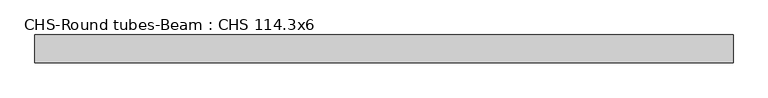
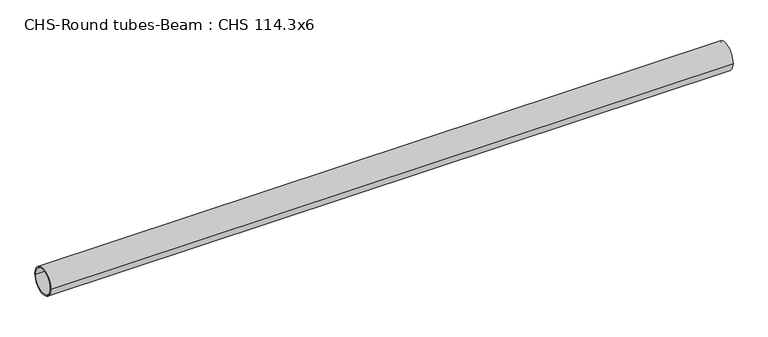
"""IFC4 building model written with IfcOpenShell, lengths in millimetres: beam geometry, CHS-Round tubes-Beam : CHS 114.3x6."""

import ifcopenshell
import ifcopenshell.guid

model = None  # the IFC model being written
_history = None  # IfcOwnerHistory: only IFC2X3 demands one
_inside = {}  # id of a spatial element -> (the spatial element, [elements in it])
_under = {}  # id of a project, library or spatial element -> (it, [spatial elements below it])
_declared = {}  # id of a project -> (the project, [libraries it declares])
_typed = {}  # id of a type object -> (the type object, [elements of that type])
_made_of = {}  # id of a material, layer set ... -> (it, [elements and type objects made of it])


def new_model(schema):
    """Start an empty IFC model of exactly this schema.

    Asked for "IFC4X3", IfcOpenShell would pick the latest addendum, in which some entities
    have other attributes; the version numbers below select the first issue.
    IFC2X3 requires an IfcOwnerHistory on every rooted entity: one is made here for all.
    """
    global model, _history
    if schema == "IFC4X3":
        model = ifcopenshell.file(schema_version=(4, 3, 0, 0))
    else:
        model = ifcopenshell.file(schema=schema)
    _inside.clear()
    _under.clear()
    _declared.clear()
    _typed.clear()
    _made_of.clear()
    _history = None
    if model.schema == "IFC2X3":
        org = make("IfcOrganization", Name="unknown")
        user = make(
            "IfcPersonAndOrganization",
            ThePerson=make("IfcPerson", FamilyName="unknown"),
            TheOrganization=org,
        )
        app = make(
            "IfcApplication",
            ApplicationDeveloper=org,
            Version="unknown",
            ApplicationFullName="unknown",
            ApplicationIdentifier="unknown",
        )
        _history = make(
            "IfcOwnerHistory",
            OwningUser=user,
            OwningApplication=app,
            ChangeAction="ADDED",
            CreationDate=0,
        )
    return model


def make(cls, **values):
    """One entity of the class cls with the attributes given. An attribute that is None is left unset."""
    return model.create_entity(
        cls, **{name: value for name, value in values.items() if value is not None}
    )


def rooted(cls, **values):
    """An entity with a GlobalId (a new one), such as an element, a storey or a relation."""
    return make(cls, GlobalId=ifcopenshell.guid.new(), OwnerHistory=_history, **values)


def si_unit(unit_type, name, prefix=None):
    """IfcSIUnit, for example si_unit("LENGTHUNIT", "METRE", prefix="MILLI")."""
    return make("IfcSIUnit", UnitType=unit_type, Prefix=prefix, Name=name)


def assignment(units):
    """IfcUnitAssignment: the units of a project."""
    return None if units is None else make("IfcUnitAssignment", Units=units)


def point(xyz):
    """IfcCartesianPoint."""
    return None if xyz is None else make("IfcCartesianPoint", Coordinates=xyz)


def direction(xyz):
    """IfcDirection."""
    return None if xyz is None else make("IfcDirection", DirectionRatios=xyz)


def frame(location, z_axis=None, x_axis=None):
    """IfcAxis2Placement3D, a coordinate frame: its origin and axes. An axis left out is left unset."""
    return make(
        "IfcAxis2Placement3D",
        Location=point(location),
        Axis=direction(z_axis),
        RefDirection=direction(x_axis),
    )


def frame_2d(location, x_axis=None):
    """IfcAxis2Placement2D, a coordinate frame in the plane: its origin and x axis."""
    return make(
        "IfcAxis2Placement2D", Location=point(location), RefDirection=direction(x_axis)
    )


def origin():
    """The frame at (0, 0, 0) with its axes left unset."""
    return frame((0.0, 0.0, 0.0))


def origin_2d():
    """The frame at (0, 0) in the plane with its x axis left unset."""
    return frame_2d((0.0, 0.0))


def place(relative_to, where):
    """IfcLocalPlacement: puts the frame where relative to a parent placement (None: the world)."""
    return make(
        "IfcLocalPlacement", PlacementRelTo=relative_to, RelativePlacement=where
    )


def context(
    kind, dimensions, precision=None, world=None, true_north=None, identifier=None
):
    """IfcGeometricRepresentationContext, for example the 3D "Model" context."""
    return make(
        "IfcGeometricRepresentationContext",
        ContextIdentifier=identifier,
        ContextType=kind,
        CoordinateSpaceDimension=dimensions,
        Precision=precision,
        WorldCoordinateSystem=world,
        TrueNorth=true_north,
    )


def project(units=None, contexts=None):
    """IfcProject with its units and contexts."""
    return rooted(
        "IfcProject",
        Name="project",
        RepresentationContexts=contexts,
        UnitsInContext=assignment(units),
    )


def spatial(cls, under=None, at=None, **own):
    """A site, building, storey or space (cls), placed at a placement, below another one or the project."""
    s = rooted(cls, ObjectPlacement=at, **own)
    if under is not None:
        _under.setdefault(under.id(), (under, []))[1].append(s)
    return s


def circle_curve(where, radius):
    """IfcCircle in the frame where."""
    return make("IfcCircle", Position=where, Radius=radius)


def trimmed(basis, trim1, trim2, sense, master):
    """IfcTrimmedCurve: the piece of a basis curve between two trims."""
    return make(
        "IfcTrimmedCurve",
        BasisCurve=basis,
        Trim1=trim1,
        Trim2=trim2,
        SenseAgreement=sense,
        MasterRepresentation=master,
    )


def segment(curve, same_sense, transition):
    """IfcCompositeCurveSegment."""
    return make(
        "IfcCompositeCurveSegment",
        Transition=transition,
        SameSense=same_sense,
        ParentCurve=curve,
    )


def composite_curve(segments, self_intersect=None):
    """IfcCompositeCurve: segments joined end to end."""
    return make("IfcCompositeCurve", Segments=segments, SelfIntersect=self_intersect)


def outline(outer, holes=None, kind="AREA"):
    """IfcArbitraryClosedProfileDef: a profile drawn as a closed curve; with holes, ...WithVoids."""
    if holes is None:
        return make("IfcArbitraryClosedProfileDef", ProfileType=kind, OuterCurve=outer)
    return make(
        "IfcArbitraryProfileDefWithVoids",
        ProfileType=kind,
        OuterCurve=outer,
        InnerCurves=holes,
    )


def extrude(swept, where, along, depth):
    """IfcExtrudedAreaSolid: the profile swept, set in the frame where, extruded along a direction by depth."""
    return make(
        "IfcExtrudedAreaSolid",
        SweptArea=swept,
        Position=where,
        ExtrudedDirection=direction(along),
        Depth=depth,
    )


def shape(context_of_items, identifier, shape_type, items):
    """IfcShapeRepresentation: the items that make up one representation, for example the "Body"."""
    return make(
        "IfcShapeRepresentation",
        ContextOfItems=context_of_items,
        RepresentationIdentifier=identifier,
        RepresentationType=shape_type,
        Items=items,
    )


def source(mapping_origin, context_of_items, identifier, shape_type, items):
    """IfcRepresentationMap: a shape defined once, which mapped items show again and again."""
    return make(
        "IfcRepresentationMap",
        MappingOrigin=mapping_origin,
        MappedRepresentation=shape(context_of_items, identifier, shape_type, items),
    )


def transform(
    local_origin,
    x_axis=None,
    y_axis=None,
    z_axis=None,
    scale=None,
    scale2=None,
    scale3=None,
    uniform=True,
):
    """IfcCartesianTransformationOperator3D, or its non-uniform kind. x_axis, y_axis, z_axis: its Axis1, 2, 3."""
    if uniform:
        return make(
            "IfcCartesianTransformationOperator3D",
            Axis1=direction(x_axis),
            Axis2=direction(y_axis),
            LocalOrigin=point(local_origin),
            Scale=scale,
            Axis3=direction(z_axis),
        )
    return make(
        "IfcCartesianTransformationOperator3DnonUniform",
        Axis1=direction(x_axis),
        Axis2=direction(y_axis),
        LocalOrigin=point(local_origin),
        Scale=scale,
        Axis3=direction(z_axis),
        Scale2=scale2,
        Scale3=scale3,
    )


def mapped(mapping_source, mapping_target):
    """IfcMappedItem: shows the shape of a source again, moved by a transform."""
    return make(
        "IfcMappedItem", MappingSource=mapping_source, MappingTarget=mapping_target
    )


def made_of(thing, what):
    """Note that an element or type object is made of a material, layer set ...; save() writes the relation."""
    if what is not None:
        _made_of.setdefault(what.id(), (what, []))[1].append(thing)
    return thing


def element(
    cls,
    number,
    at=None,
    inside=None,
    cuts=None,
    type_object=None,
    material=None,
    context=None,
    identifier="Body",
    shape_type=None,
    held_by="IfcProductDefinitionShape",
    body=None,
    shapes=None,
    **own,
):
    """One element of the class cls, such as IfcWall. Its Tag is "e" and its number.

    at: its placement. inside: the storey or other place that contains it. cuts: it is an
    opening in that element (IfcRelVoidsElement). A single representation is given by context,
    identifier, shape_type and body (its items); several are given by shapes. held_by: the class
    of the entity that holds the representations. save() writes the other relations.
    """
    e = rooted(cls, Tag="e%d" % number, ObjectPlacement=at, **own)
    if body is not None:
        shapes = [shape(context, identifier, shape_type, body)]
    if shapes is not None:
        e.Representation = make(held_by, Representations=shapes)
    if inside is not None:
        _inside.setdefault(inside.id(), (inside, []))[1].append(e)
    if cuts is not None:
        rooted(
            "IfcRelVoidsElement", RelatingBuildingElement=cuts, RelatedOpeningElement=e
        )
    if type_object is not None:
        _typed.setdefault(type_object.id(), (type_object, []))[1].append(e)
    return made_of(e, material)


def aggregate(whole, parts):
    """IfcRelAggregates: a whole, such as a stair, and the parts it consists of."""
    return rooted("IfcRelAggregates", RelatingObject=whole, RelatedObjects=parts)


def save(model, path):
    """Write the relations noted so far, then the file.

    IfcRelAggregates (storeys below a building ...), IfcRelContainedInSpatialStructure (elements
    in a storey), IfcRelDefinesByType, IfcRelAssociatesMaterial and IfcRelDeclares: one each for
    every whole, place, type object, material and project.
    """
    for whole, parts in _under.values():
        aggregate(whole, parts)
    for where, things in _inside.values():
        rooted(
            "IfcRelContainedInSpatialStructure",
            RelatedElements=things,
            RelatingStructure=where,
        )
    for kind, things in _typed.values():
        rooted("IfcRelDefinesByType", RelatedObjects=things, RelatingType=kind)
    for what, things in _made_of.values():
        rooted("IfcRelAssociatesMaterial", RelatedObjects=things, RelatingMaterial=what)
    for by, libraries in _declared.values():
        rooted("IfcRelDeclares", RelatingContext=by, RelatedDefinitions=libraries)
    model.write(path)


def chs_round_tubes_beam_chs_114_3x6_871af261(model_context):
    return source(origin(), model_context, "Body", "SweptSolid", [
        extrude(outline(composite_curve([segment(trimmed(circle_curve(origin_2d(), 57.15), [point((57.15, 0.0))], [point((-57.15, 0.0))], False, "CARTESIAN"), True, "CONTINUOUS"), segment(trimmed(circle_curve(origin_2d(), 57.15), [point((-57.15, 0.0))], [point((57.15, 0.0))], False, "CARTESIAN"), True, "CONTINUOUS")], self_intersect=False), holes=[composite_curve([segment(trimmed(circle_curve(origin_2d(), 51.15), [point((51.15, 0.0))], [point((-51.15, 0.0))], True, "CARTESIAN"), True, "CONTINUOUS"), segment(trimmed(circle_curve(origin_2d(), 51.15), [point((-51.15, 0.0))], [point((51.15, 0.0))], True, "CARTESIAN"), True, "CONTINUOUS")], self_intersect=False)]), frame((-1423.7340769, 0.0, 0.0), z_axis=(1.0, 0.0, 0.0), x_axis=(0.0, 1.0, 0.0)), (0.0, 0.0, 1.0), 2846.0506808),
    ])


if __name__ == "__main__":
    model = new_model("IFC4")
    model_context = context("Model", 3, world=origin())
    ifc_project = project(units=[si_unit("LENGTHUNIT", "METRE", prefix="MILLI")], contexts=[model_context])
    site = spatial("IfcSite", under=ifc_project)
    building = spatial("IfcBuilding", under=site)
    placement = place(None, origin())
    chs_round_tubes_beam_chs_114_3x6_shape = chs_round_tubes_beam_chs_114_3x6_871af261(model_context)
    element("IfcBeam", 1, ObjectType="CHS-Round tubes-Beam : CHS 114.3x6", at=placement, inside=building, context=model_context, shape_type="MappedRepresentation", body=[
        mapped(chs_round_tubes_beam_chs_114_3x6_shape, transform((0.0, 0.0, 0.0), x_axis=(1.0, 0.0, 0.0), y_axis=(0.0, 1.0, 0.0), z_axis=(0.0, 0.0, 1.0))),
    ])
    save(model, "model.ifc")
